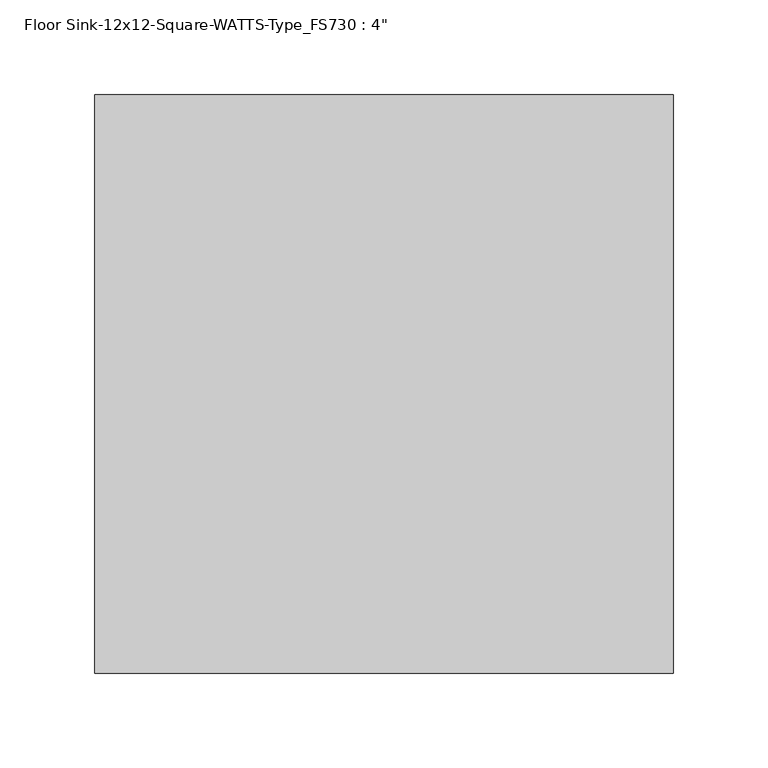
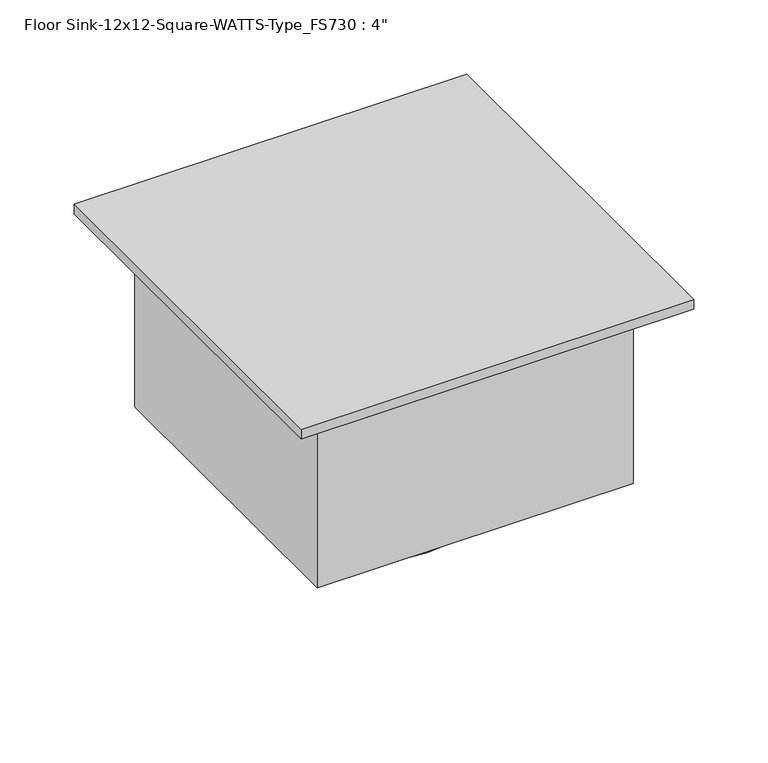
"""IFC4 building model written with IfcOpenShell, lengths in millimetres: flow terminal geometry."""

from ifc_helpers import new_model, si_unit, frame, origin, place, context, project, spatial, circle_curve, source, transform, mapped, element, save
from ifc_brep_helpers import plane_surface, cylinder_surface, advanced_brep


def flow_terminal_65012c35(model_context):
    return source(origin(), model_context, "Body", "AdvancedBrep", [
        advanced_brep(
        [(152.4, 152.4, 0.0), (-152.4, 152.4, 0.0), (-152.4, -152.4, 0.0), (152.4, -152.4, 0.0), (152.4, 152.4, -7.9502), (152.4, -152.4, -7.9502), (-152.4, -152.4, -7.9502), (-152.4, 152.4, -7.9502), (122.7074, 122.7074, -7.9502), (-122.7074, 122.7074, -7.9502), (-122.7074, -122.7074, -7.9502), (122.7074, -122.7074, -7.9502), (122.7074, 122.7074, -158.75), (122.7074, -122.7074, -158.75), (-122.7074, -122.7074, -158.75), (-122.7074, 122.7074, -158.75), (57.15, 0.0, -158.75), (-57.15, 0.0, -158.75), (57.15, 0.0, -212.725), (-57.15, 0.0, -212.725), (0.0, 0.0, -212.725)],
        [
            (0, 1),
            (1, 2),
            (2, 3),
            (3, 0),
            (4, 5),
            (5, 6),
            (6, 7),
            (7, 4),
            (8, 9),
            (9, 10),
            (10, 11),
            (11, 8),
            (0, 4),
            (7, 1),
            (6, 2),
            (5, 3),
            (12, 13),
            (13, 14),
            (14, 15),
            (15, 12),
            (16, 17, circle_curve(frame((0.0, 0.0, -158.75), z_axis=(0.0, 0.0, 1.0), x_axis=(-1.0, 0.0, 0.0)), 57.15)),
            (17, 16, circle_curve(frame((0.0, 0.0, -158.75), z_axis=(0.0, 0.0, 1.0), x_axis=(-1.0, 0.0, 0.0)), 57.15)),
            (15, 9),
            (8, 12),
            (14, 10),
            (13, 11),
            (18, 19, circle_curve(frame((0.0, 0.0, -212.725), z_axis=(0.0, 0.0, 1.0), x_axis=(-1.0, 0.0, 0.0)), 57.15)),
            (19, 17),
            (16, 18),
            (19, 18, circle_curve(frame((0.0, 0.0, -212.725), z_axis=(0.0, 0.0, 1.0), x_axis=(-1.0, 0.0, 0.0)), 57.15)),
            (18, 20),
            (20, 19),
        ],
        [
            plane_surface(frame((-152.4, 152.4, 0.0), z_axis=(0.0, 0.0, 1.0), x_axis=(-1.0, 0.0, 0.0))),
            plane_surface(frame((-152.4, 152.4, -7.9502), z_axis=(0.0, 0.0, -1.0), x_axis=(1.0, 0.0, 0.0))),
            plane_surface(frame((152.4, 152.4, 0.0), z_axis=(0.0, 1.0, 0.0), x_axis=(0.0, 0.0, -1.0))),
            plane_surface(frame((-152.4, 152.4, 0.0), z_axis=(-1.0, 0.0, 0.0), x_axis=(0.0, 0.0, -1.0))),
            plane_surface(frame((-152.4, -152.4, 0.0), z_axis=(0.0, -1.0, 0.0), x_axis=(0.0, 0.0, -1.0))),
            plane_surface(frame((152.4, -152.4, 0.0), z_axis=(1.0, 0.0, 0.0), x_axis=(0.0, 0.0, -1.0))),
            plane_surface(frame((-122.7074, 122.7074, -158.75), z_axis=(0.0, 0.0, -1.0), x_axis=(1.0, 0.0, 0.0))),
            plane_surface(frame((122.7074, 122.7074, -7.9502), z_axis=(0.0, 1.0, 0.0), x_axis=(0.0, 0.0, -1.0))),
            plane_surface(frame((-122.7074, 122.7074, -7.9502), z_axis=(-1.0, 0.0, 0.0), x_axis=(0.0, 0.0, -1.0))),
            plane_surface(frame((-122.7074, -122.7074, -7.9502), z_axis=(0.0, -1.0, 0.0), x_axis=(0.0, 0.0, -1.0))),
            plane_surface(frame((122.7074, -122.7074, -7.9502), z_axis=(1.0, 0.0, 0.0), x_axis=(0.0, 0.0, -1.0))),
            cylinder_surface(frame((0.0, 0.0, -120.65), z_axis=(0.0, 0.0, -1.0), x_axis=(-1.0, 0.0, 0.0)), 57.15),
            plane_surface(frame((0.0, 0.0, -212.725), z_axis=(0.0, 0.0, -1.0), x_axis=(-1.0, 0.0, 0.0))),
        ],
        [
            (0, [[1, 2, 3, 4]]),
            (1, [[5, 6, 7, 8], [9, 10, 11, 12]]),
            (2, [[-1, 13, -8, 14]]),
            (3, [[-2, -14, -7, 15]]),
            (4, [[-3, -15, -6, 16]]),
            (5, [[-4, -16, -5, -13]]),
            (6, [[17, 18, 19, 20], [21, 22]]),
            (7, [[-20, 23, -9, 24]]),
            (8, [[-19, 25, -10, -23]]),
            (9, [[-18, 26, -11, -25]]),
            (10, [[-17, -24, -12, -26]]),
            (11, [[27, 28, -21, 29]]),
            (11, [[-28, 30, -29, -22]]),
            (12, [[-27, 31, 32]]),
            (12, [[-30, -32, -31]]),
        ],
    ),
    ])


if __name__ == "__main__":
    model = new_model("IFC4")
    model_context = context("Model", 3, world=origin())
    ifc_project = project(units=[si_unit("LENGTHUNIT", "METRE", prefix="MILLI")], contexts=[model_context])
    site = spatial("IfcSite", under=ifc_project)
    building = spatial("IfcBuilding", under=site)
    placement = place(None, origin())
    flow_terminal_shape = flow_terminal_65012c35(model_context)
    element("IfcFlowTerminal", 1, ObjectType="Floor Sink-12x12-Square-WATTS-Type_FS730 : 4\"", at=placement, inside=building, context=model_context, shape_type="MappedRepresentation", body=[
        mapped(flow_terminal_shape, transform((0.0, 0.0, 0.0), x_axis=(1.0, 0.0, 0.0), y_axis=(0.0, 1.0, 0.0), z_axis=(0.0, 0.0, 1.0))),
    ])
    save(model, "model.ifc")
